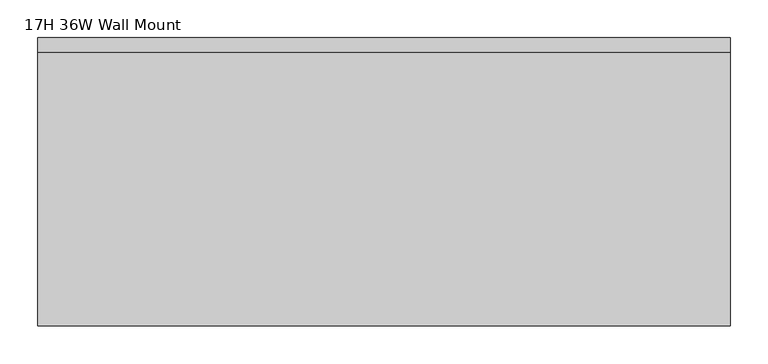
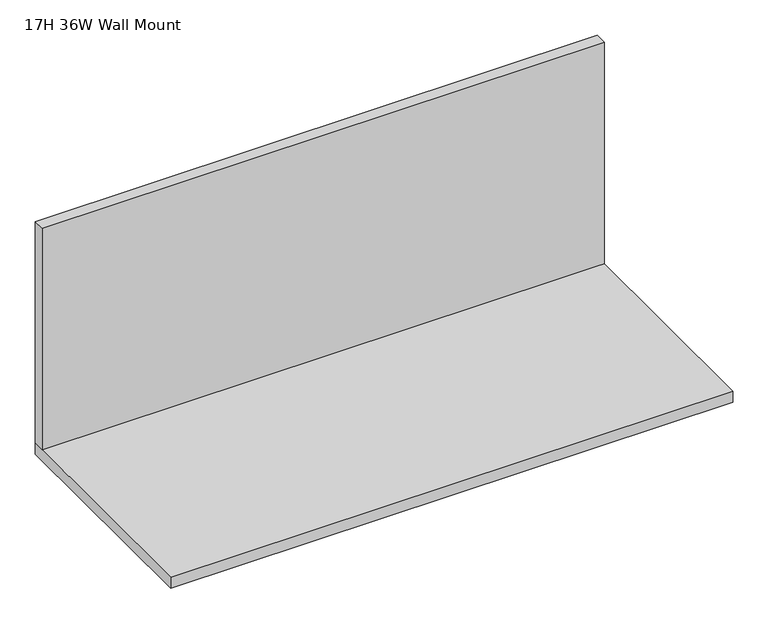
"""IFC4 building model written with IfcOpenShell, lengths in millimetres: furniture geometry, 17H 36W Wall Mount."""

from ifc_helpers import new_model, si_unit, frame, origin, place, context, project, spatial, polyline, outline, extrude, source, transform, mapped, element, save


def furniture_17h_36w_wall_mount_802e4baa(model_context):
    return source(origin(), model_context, "Body", "SweptSolid", [
        extrude(outline(polyline([(444.5, -12.7), (444.5, -31.75), (-469.9, -31.75), (-469.9, -12.7), (444.5, -12.7)])), frame((0.0, 0.0, 1250.95), z_axis=(0.0, 0.0, 1.0), x_axis=(1.0, 0.0, 0.0)), (0.0, 0.0, 1.0), 381.0),
        extrude(outline(polyline([(444.5, -12.7), (444.5, -393.7), (-469.9, -393.7), (-469.9, -12.7), (444.5, -12.7)])), frame((0.0, 0.0, 1231.9), z_axis=(0.0, 0.0, 1.0), x_axis=(1.0, 0.0, 0.0)), (0.0, 0.0, 1.0), 19.05),
    ])


if __name__ == "__main__":
    model = new_model("IFC4")
    model_context = context("Model", 3, world=origin())
    ifc_project = project(units=[si_unit("LENGTHUNIT", "METRE", prefix="MILLI")], contexts=[model_context])
    site = spatial("IfcSite", under=ifc_project)
    building = spatial("IfcBuilding", under=site)
    placement = place(None, origin())
    furniture_17h_36w_wall_mount_shape = furniture_17h_36w_wall_mount_802e4baa(model_context)
    element("IfcFurniture", 1, ObjectType="17H 36W Wall Mount", at=placement, inside=building, context=model_context, shape_type="MappedRepresentation", body=[
        mapped(furniture_17h_36w_wall_mount_shape, transform((0.0, 0.0, 0.0), x_axis=(1.0, 0.0, 0.0), y_axis=(0.0, 1.0, 0.0), z_axis=(0.0, 0.0, 1.0))),
    ])
    save(model, "model.ifc")
